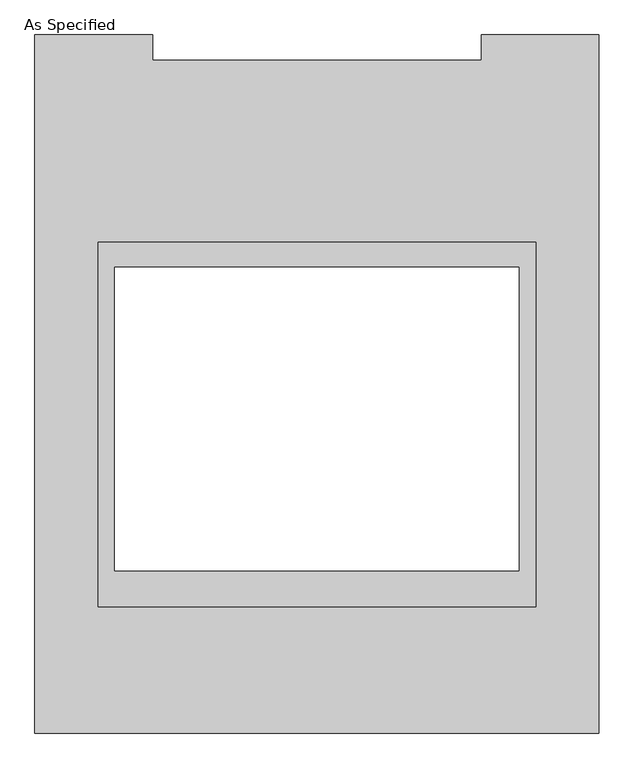
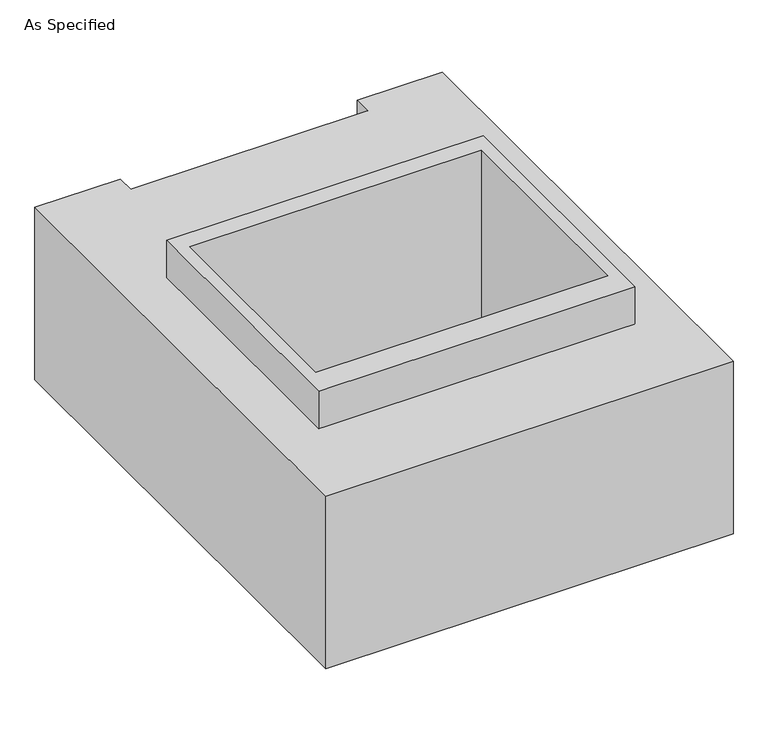
"""IFC4 building model written with IfcOpenShell, lengths in millimetres: proxy geometry, As Specified."""

from ifc_helpers import new_model, si_unit, frame, origin, place, context, project, spatial, polyline, outline, extrude, source, transform, mapped, element, save


def as_specified_b4564fa3(model_context):
    return source(origin(), model_context, "Body", "SweptSolid", [
        extrude(outline(polyline([(660.4, 465.534375), (660.4, -633.015625), (-660.4, -633.015625), (-660.4, 465.534375), (660.4, 465.534375)]), holes=[polyline([(-609.6, 389.3740625), (-609.6, -525.0259375), (609.6, -525.0259375), (609.6, 389.3740625), (-609.6, 389.3740625)])]), frame((0.0, 0.0, -952.5), z_axis=(0.0, 0.0, 1.0), x_axis=(1.0, 0.0, 0.0)), (0.0, 0.0, 1.0), 1092.2),
        extrude(outline(polyline([(495.3, 1014.015625), (495.3, 1090.374375), (850.9, 1090.374375), (850.9, -1014.015625), (-850.9, -1014.015625), (-850.9, 1090.374375), (-495.3, 1090.374375), (-495.3, 1014.015625), (495.3, 1014.015625)]), holes=[polyline([(609.6, -525.0259375), (609.6, 389.3740625), (-609.6, 389.3740625), (-609.6, -525.0259375), (609.6, -525.0259375)])]), frame((0.0, 0.0, -787.4), z_axis=(0.0, 0.0, 1.0), x_axis=(1.0, 0.0, 0.0)), (0.0, 0.0, 1.0), 762.0),
    ])


if __name__ == "__main__":
    model = new_model("IFC4")
    model_context = context("Model", 3, world=origin())
    ifc_project = project(units=[si_unit("LENGTHUNIT", "METRE", prefix="MILLI")], contexts=[model_context])
    site = spatial("IfcSite", under=ifc_project)
    building = spatial("IfcBuilding", under=site)
    placement = place(None, origin())
    as_specified_shape = as_specified_b4564fa3(model_context)
    element("IfcBuildingElementProxy", 1, Name="As Specified", ObjectType="As Specified", at=placement, inside=building, context=model_context, shape_type="MappedRepresentation", body=[
        mapped(as_specified_shape, transform((0.0, 0.0, 0.0), x_axis=(1.0, 0.0, 0.0), y_axis=(0.0, 1.0, 0.0), z_axis=(0.0, 0.0, 1.0))),
    ])
    save(model, "model.ifc")
